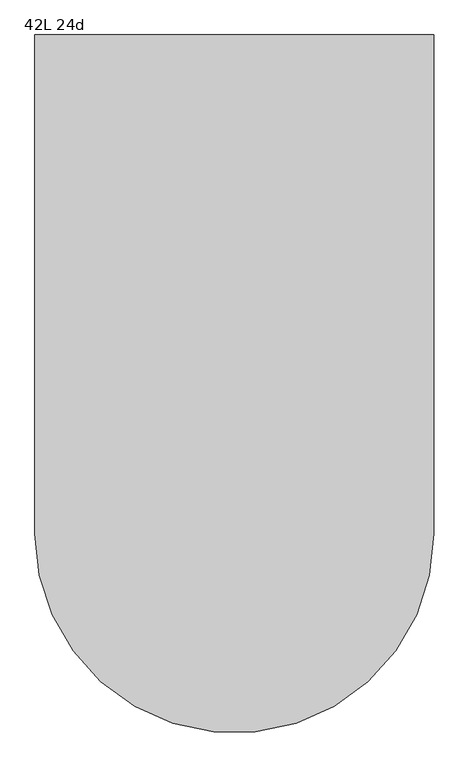
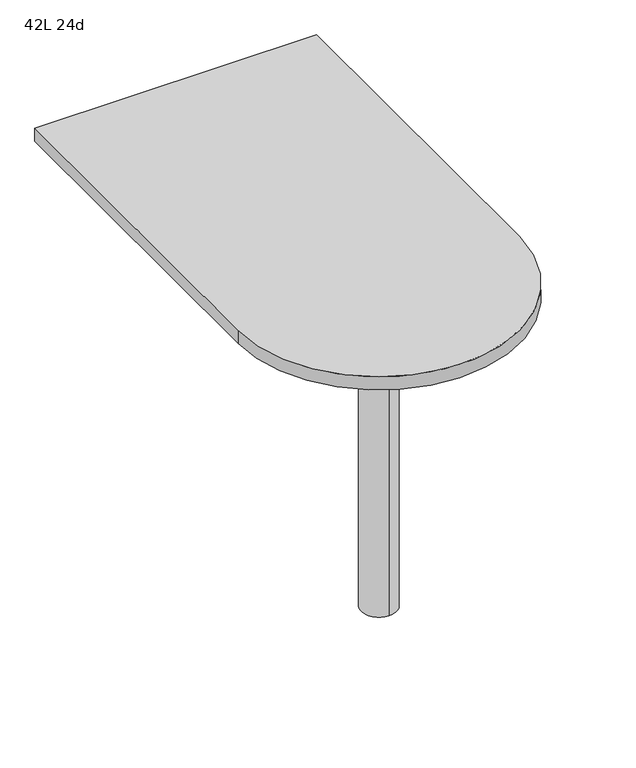
"""IFC4 building model written with IfcOpenShell, lengths in millimetres: furniture geometry, 42L 24d."""

from ifc_helpers import new_model, si_unit, point, frame, frame_2d, origin, place, context, project, spatial, polyline, circle_curve, trimmed, segment, composite_curve, outline, extrude, source, transform, mapped, element, save
from ifc_brep_helpers import plane_surface, cylinder_surface, advanced_brep


def furniture_42l_24d_33b8ffde(model_context):
    return source(origin(), model_context, "Body", "SolidModel", [
        advanced_brep(
        [(0.0, -190.5, 706.4375), (0.0, -266.7, 706.4375), (0.0, -228.6, 706.4375), (0.0, -190.5, 0.0), (0.0, -266.7, 0.0), (0.0, -228.6, 0.0)],
        [
            (0, 1, circle_curve(frame((0.0, -228.6, 706.4375), z_axis=(0.0, 0.0, 1.0), x_axis=(0.0, -1.0, 0.0)), 38.1)),
            (1, 2),
            (2, 0),
            (1, 0, circle_curve(frame((0.0, -228.6, 706.4375), z_axis=(0.0, 0.0, 1.0), x_axis=(0.0, -1.0, 0.0)), 38.1)),
            (3, 4, circle_curve(frame((0.0, -228.6, 0.0), z_axis=(0.0, 0.0, 1.0), x_axis=(0.0, -1.0, 0.0)), 38.1)),
            (4, 1),
            (0, 3),
            (4, 3, circle_curve(frame((0.0, -228.6, 0.0), z_axis=(0.0, 0.0, 1.0), x_axis=(0.0, -1.0, 0.0)), 38.1)),
            (5, 4),
            (3, 5),
        ],
        [
            plane_surface(frame((0.0, -228.6, 706.4375), z_axis=(0.0, 0.0, 1.0), x_axis=(0.0, -1.0, 0.0))),
            cylinder_surface(frame((0.0, -228.6, 889.623257), z_axis=(0.0, 0.0, -1.0), x_axis=(0.0, -1.0, 0.0)), 38.1),
            plane_surface(frame((0.0, -228.6, 0.0), z_axis=(0.0, 0.0, -1.0), x_axis=(0.0, -1.0, 0.0))),
        ],
        [
            (0, [[1, 2, 3]]),
            (0, [[4, -3, -2]]),
            (1, [[5, 6, -1, 7]]),
            (1, [[8, -7, -4, -6]]),
            (2, [[9, -5, 10]]),
            (2, [[-10, -8, -9]]),
        ],
    ),
        extrude(outline(composite_curve([segment(polyline([(-304.8, -228.6), (-304.8, 533.4), (304.8, 533.4), (304.8, -228.6)]), True, "CONTINUOUS"), segment(trimmed(circle_curve(frame_2d((0.0, -228.6)), 304.8), [point((304.8, -228.6))], [point((-304.8, -228.6))], False, "CARTESIAN"), True, "CONTINUOUS")], self_intersect=False)), frame((0.0, 0.0, 706.4375), z_axis=(0.0, 0.0, 1.0), x_axis=(1.0, 0.0, 0.0)), (0.0, 0.0, 1.0), 30.1625),
    ])


if __name__ == "__main__":
    model = new_model("IFC4")
    model_context = context("Model", 3, world=origin())
    ifc_project = project(units=[si_unit("LENGTHUNIT", "METRE", prefix="MILLI")], contexts=[model_context])
    site = spatial("IfcSite", under=ifc_project)
    building = spatial("IfcBuilding", under=site)
    placement = place(None, origin())
    furniture_42l_24d_shape = furniture_42l_24d_33b8ffde(model_context)
    element("IfcFurniture", 1, ObjectType="42L 24d", at=placement, inside=building, context=model_context, shape_type="MappedRepresentation", body=[
        mapped(furniture_42l_24d_shape, transform((0.0, 0.0, 0.0), x_axis=(1.0, 0.0, 0.0), y_axis=(0.0, 1.0, 0.0), z_axis=(0.0, 0.0, 1.0))),
    ])
    save(model, "model.ifc")
